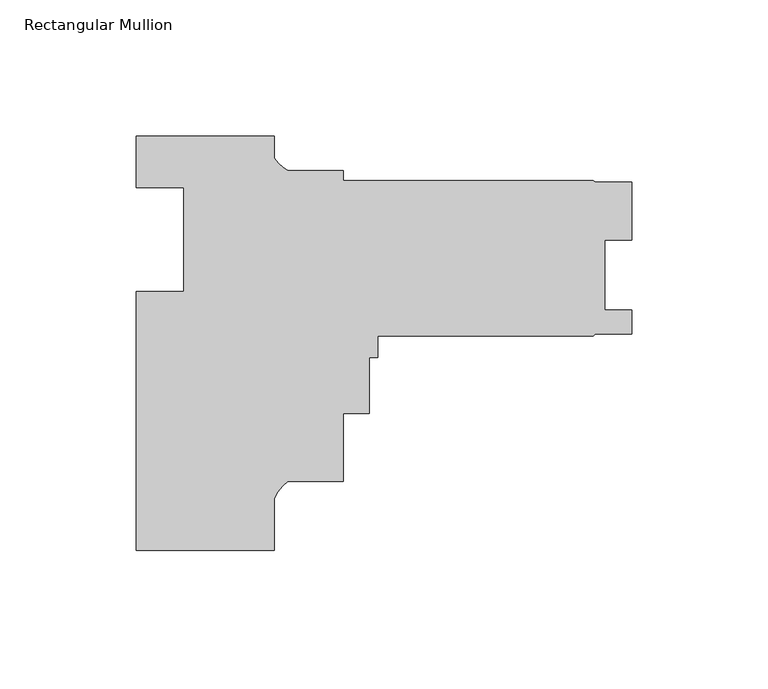
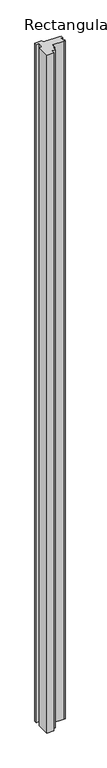
"""IFC4 building model written with IfcOpenShell, lengths in millimetres: member geometry, Rectangular Mullion."""

from ifc_helpers import new_model, si_unit, point, frame, frame_2d, origin, place, context, project, spatial, polyline, circle_curve, trimmed, segment, composite_curve, outline, extrude, source, transform, mapped, element, save


def rectangular_mullion_497016a7(model_context):
    return source(origin(), model_context, "Body", "SweptSolid", [
        extrude(outline(composite_curve([segment(polyline([(-25.4, 19.05), (25.4, 19.05), (25.4, 10.8158832)]), True, "CONTINUOUS"), segment(trimmed(circle_curve(frame_2d((37.3094465, 18.843072)), 14.3621265), [point((25.4, 10.8158832))], [point((30.3723453, 6.2674089))], True, "CARTESIAN"), True, "CONTINUOUS"), segment(polyline([(30.3723453, 6.2674089), (50.7999898, 6.2674089), (50.7999898, 2.5728645), (142.5927668, 2.5728645), (143.3616419, 2.1156646), (156.8675665, 2.1156646), (156.8675665, -19.3155855), (146.8345667, -19.3155855), (146.8345667, -45.0457855), (156.8802668, -45.0457855), (156.8802668, -53.7833855), (143.3865168, -53.7833855), (142.5927668, -54.5771355), (63.4999898, -54.5771355), (63.4999898, -62.3633911), (60.3249898, -62.3633911), (60.3249898, -82.9881911), (50.7999898, -82.9881911), (50.7999898, -108.0325911), (30.2934851, -108.0325911)]), True, "CONTINUOUS"), segment(trimmed(circle_curve(frame_2d((39.5144624, -120.3139521)), 15.3576772), [point((30.2934851, -108.0325911))], [point((25.4, -114.2608371))], True, "CARTESIAN"), True, "CONTINUOUS"), segment(polyline([(25.4, -114.2608371), (25.4, -133.35), (-25.4, -133.35), (-25.4, -38.1), (-7.9502, -38.1), (-7.9502, 0.0), (-25.4, 0.0), (-25.4, 19.05)]), True, "CONTINUOUS")], self_intersect=False)), frame((0.0, 0.0, -5259.6598764), z_axis=(0.0, 0.0, 1.0), x_axis=(1.0, 0.0, 0.0)), (0.0, 0.0, 1.0), 5259.6598764),
    ])


if __name__ == "__main__":
    model = new_model("IFC4")
    model_context = context("Model", 3, world=origin())
    ifc_project = project(units=[si_unit("LENGTHUNIT", "METRE", prefix="MILLI")], contexts=[model_context])
    site = spatial("IfcSite", under=ifc_project)
    building = spatial("IfcBuilding", under=site)
    placement = place(None, origin())
    rectangular_mullion_shape = rectangular_mullion_497016a7(model_context)
    element("IfcMember", 1, ObjectType="Rectangular Mullion", at=placement, inside=building, context=model_context, shape_type="MappedRepresentation", body=[
        mapped(rectangular_mullion_shape, transform((0.0, 0.0, 0.0), x_axis=(1.0, 0.0, 0.0), y_axis=(0.0, 1.0, 0.0), z_axis=(0.0, 0.0, 1.0))),
    ])
    save(model, "model.ifc")
